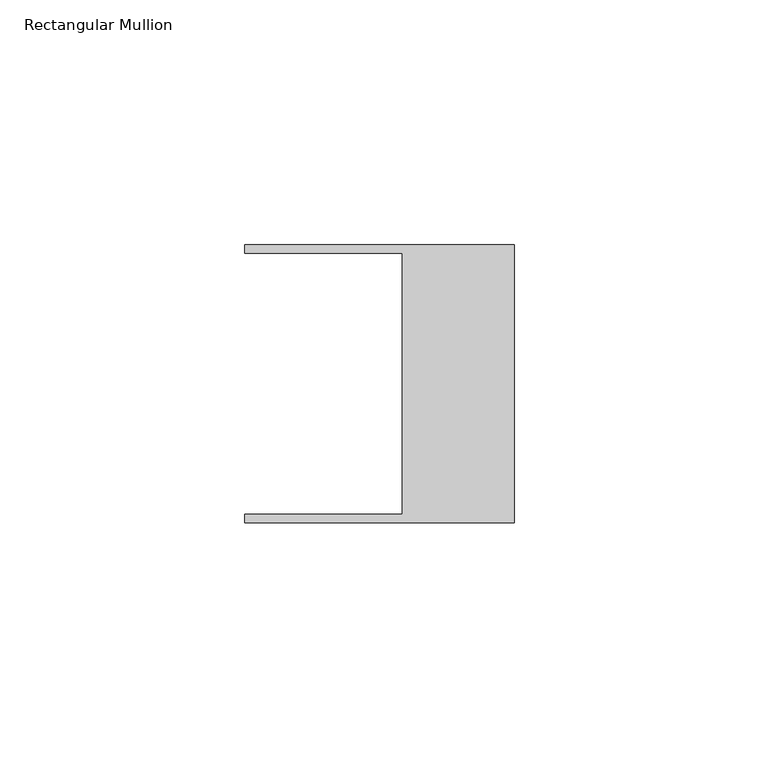
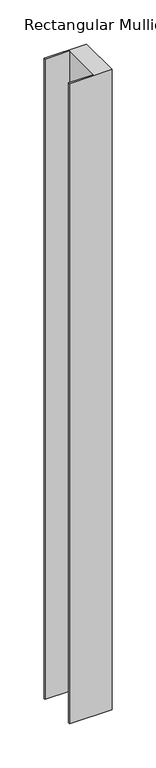
"""IFC4 building model written with IfcOpenShell, lengths in millimetres: member geometry, Rectangular Mullion."""

from ifc_helpers import new_model, si_unit, frame, origin, place, context, project, spatial, polyline, outline, extrude, source, transform, mapped, element, save


def rectangular_mullion_efd35487(model_context):
    return source(origin(), model_context, "Body", "SweptSolid", [
        extrude(outline(polyline([(-55.118, -26.67), (-22.86, -26.67), (-22.86, 26.67), (-55.118, 26.67), (-55.118, 28.448), (0.0, 28.448), (0.0, -28.448), (-55.118, -28.448), (-55.118, -26.67)])), frame((0.0, 0.0, -880.3430487), z_axis=(0.0, 0.0, 1.0), x_axis=(1.0, 0.0, 0.0)), (0.0, 0.0, 1.0), 880.3430487),
    ])


if __name__ == "__main__":
    model = new_model("IFC4")
    model_context = context("Model", 3, world=origin())
    ifc_project = project(units=[si_unit("LENGTHUNIT", "METRE", prefix="MILLI")], contexts=[model_context])
    site = spatial("IfcSite", under=ifc_project)
    building = spatial("IfcBuilding", under=site)
    placement = place(None, origin())
    rectangular_mullion_shape = rectangular_mullion_efd35487(model_context)
    element("IfcMember", 1, ObjectType="Rectangular Mullion", at=placement, inside=building, context=model_context, shape_type="MappedRepresentation", body=[
        mapped(rectangular_mullion_shape, transform((0.0, 0.0, 0.0), x_axis=(1.0, 0.0, 0.0), y_axis=(0.0, 1.0, 0.0), z_axis=(0.0, 0.0, 1.0))),
    ])
    save(model, "model.ifc")
